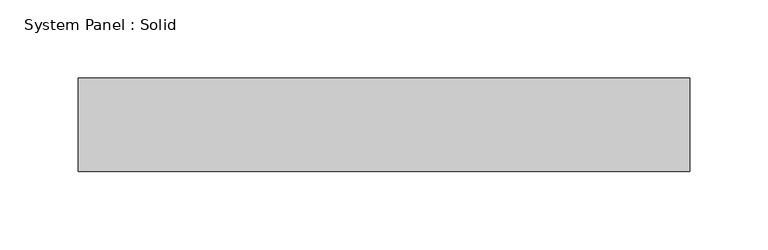
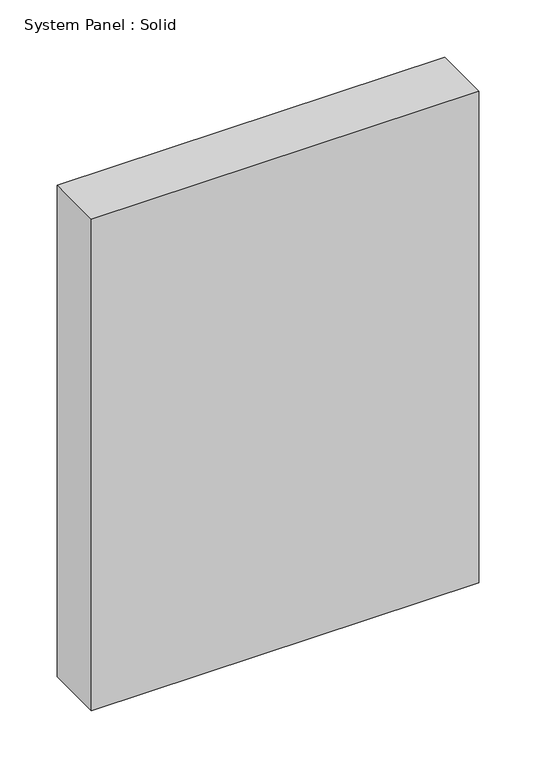
"""IFC4 building model written with IfcOpenShell, lengths in millimetres: plate geometry, System Panel : Solid."""

from ifc_helpers import new_model, si_unit, origin, origin_with_axes, place, context, project, spatial, polyline, outline, extrude, source, transform, mapped, element, save


def system_panel_solid_b723031c(model_context):
    return source(origin(), model_context, "Body", "SweptSolid", [
        extrude(outline(polyline([(195.761259, -49.5), (-195.761259, -49.5), (-195.761259, 10.5), (195.761259, 10.5), (195.761259, -49.5)])), origin_with_axes(), (0.0, 0.0, 1.0), 525.0),
    ])


if __name__ == "__main__":
    model = new_model("IFC4")
    model_context = context("Model", 3, world=origin())
    ifc_project = project(units=[si_unit("LENGTHUNIT", "METRE", prefix="MILLI")], contexts=[model_context])
    site = spatial("IfcSite", under=ifc_project)
    building = spatial("IfcBuilding", under=site)
    placement = place(None, origin())
    system_panel_solid_shape = system_panel_solid_b723031c(model_context)
    element("IfcPlate", 1, ObjectType="System Panel : Solid", at=placement, inside=building, context=model_context, shape_type="MappedRepresentation", body=[
        mapped(system_panel_solid_shape, transform((0.0, 0.0, 0.0), x_axis=(1.0, 0.0, 0.0), y_axis=(0.0, 1.0, 0.0), z_axis=(0.0, 0.0, 1.0))),
    ])
    save(model, "model.ifc")
